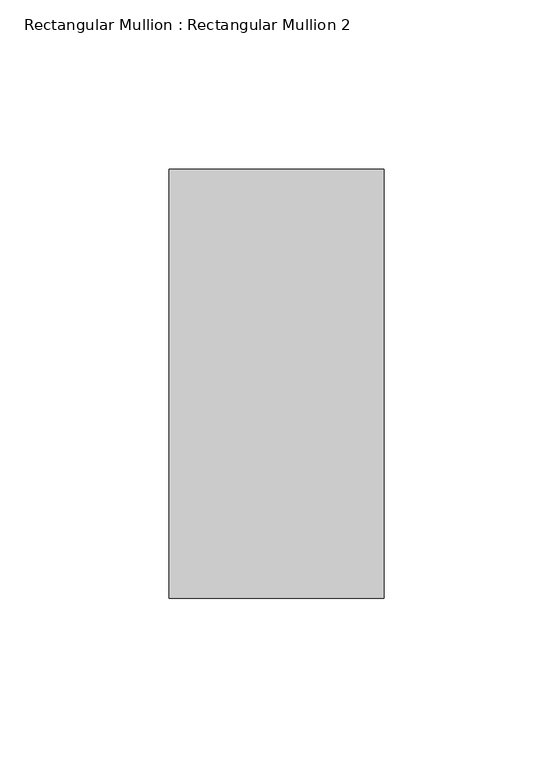
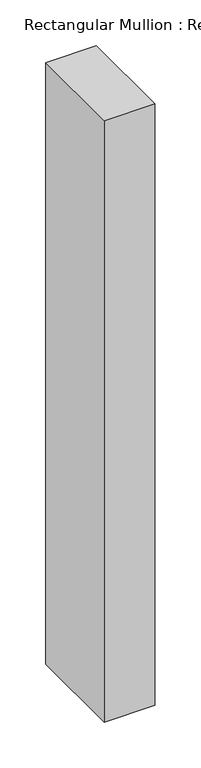
"""IFC4 building model written with IfcOpenShell, lengths in millimetres: member geometry, Rectangular Mullion : Rectangular Mullion 2."""

from ifc_helpers import new_model, si_unit, frame, origin, place, context, project, spatial, polyline, outline, extrude, source, transform, mapped, element, save


def rectangular_mullion_rectangular_mullion_2_aa95a20b(model_context):
    return source(origin(), model_context, "Body", "SweptSolid", [
        extrude(outline(polyline([(31.8, 188.5), (31.8, 61.5), (-31.8, 61.5), (-31.8, 188.5), (31.8, 188.5)])), frame((0.0, 0.0, -800.0), z_axis=(0.0, 0.0, 1.0), x_axis=(1.0, 0.0, 0.0)), (0.0, 0.0, 1.0), 800.0),
    ])


if __name__ == "__main__":
    model = new_model("IFC4")
    model_context = context("Model", 3, world=origin())
    ifc_project = project(units=[si_unit("LENGTHUNIT", "METRE", prefix="MILLI")], contexts=[model_context])
    site = spatial("IfcSite", under=ifc_project)
    building = spatial("IfcBuilding", under=site)
    placement = place(None, origin())
    rectangular_mullion_rectangular_mullion_2_shape = rectangular_mullion_rectangular_mullion_2_aa95a20b(model_context)
    element("IfcMember", 1, ObjectType="Rectangular Mullion : Rectangular Mullion 2", at=placement, inside=building, context=model_context, shape_type="MappedRepresentation", body=[
        mapped(rectangular_mullion_rectangular_mullion_2_shape, transform((0.0, 0.0, 0.0), x_axis=(1.0, 0.0, 0.0), y_axis=(0.0, 1.0, 0.0), z_axis=(0.0, 0.0, 1.0))),
    ])
    save(model, "model.ifc")
